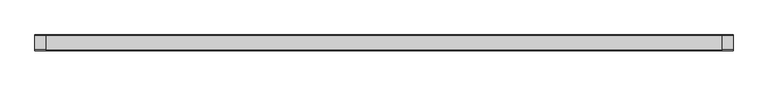
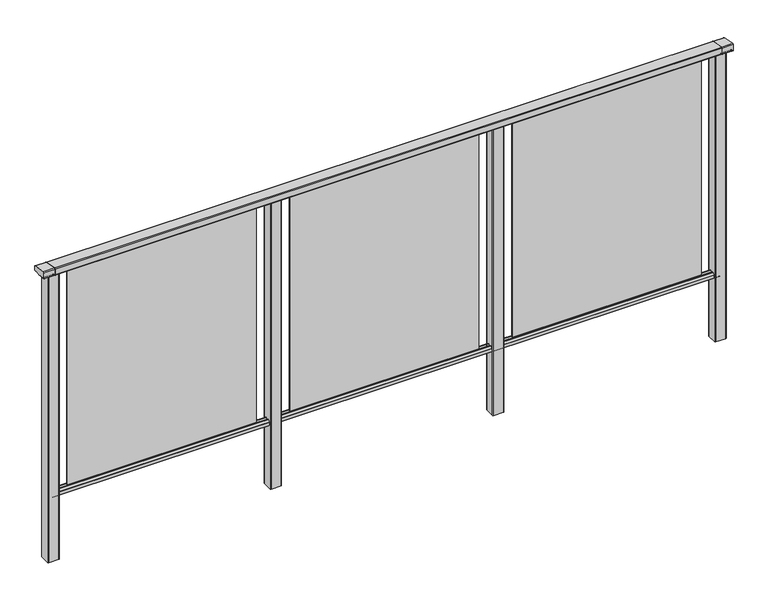
"""IFC4 building model written with IfcOpenShell, lengths in millimetres: railing geometry."""

from ifc_helpers import new_model, si_unit, point, frame, frame_2d, origin, place, context, project, spatial, polyline, circle_curve, trimmed, segment, composite_curve, outline, extrude, source, transform, mapped, element, save
from ifc_brep_helpers import plane_surface, cylinder_surface, advanced_brep


def railing_0c7fa460(model_context):
    return source(origin(), model_context, "Body", "SolidModel", [
        extrude(outline(composite_curve([segment(polyline([(8429.3630551, 1199.9544233), (8493.3630551, 1188.6694965)]), True, "CONTINUOUS"), segment(trimmed(circle_curve(frame_2d((8492.8421106, 1185.7150732)), 3.0), [point((8493.3630551, 1188.6694965))], [point((8495.8421106, 1185.7150732))], False, "CARTESIAN"), True, "CONTINUOUS"), segment(polyline([(8495.8421106, 1185.7150732), (8495.8421106, 1169.2)]), True, "CONTINUOUS"), segment(trimmed(circle_curve(frame_2d((8492.8421106, 1169.2)), 3.0), [point((8495.8421106, 1169.2))], [point((8492.8421106, 1166.2))], False, "CARTESIAN"), True, "CONTINUOUS"), segment(polyline([(8492.8421106, 1166.2), (8469.17694, 1166.2)]), True, "CONTINUOUS"), segment(trimmed(circle_curve(frame_2d((8460.8500931, 1183.2818957)), 19.003356), [point((8469.17694, 1166.2))], [point((8452.5232463, 1166.2))], False, "CARTESIAN"), True, "CONTINUOUS"), segment(polyline([(8452.5232463, 1166.2), (8428.8421106, 1166.2)]), True, "CONTINUOUS"), segment(trimmed(circle_curve(frame_2d((8428.8421106, 1169.2)), 3.0), [point((8428.8421106, 1166.2))], [point((8425.8421106, 1169.2))], False, "CARTESIAN"), True, "CONTINUOUS"), segment(polyline([(8425.8421106, 1169.2), (8425.8421106, 1197.0)]), True, "CONTINUOUS"), segment(trimmed(circle_curve(frame_2d((8428.8421106, 1197.0)), 3.0), [point((8425.8421106, 1197.0))], [point((8429.3630551, 1199.9544233))], False, "CARTESIAN"), True, "CONTINUOUS")], self_intersect=False)), frame((3671.3946925, 0.0, 0.0), z_axis=(1.0, 0.0, 0.0), x_axis=(0.0, 1.0, 0.0)), (0.0, 0.0, 1.0), 3000.0),
        extrude(outline(composite_curve([segment(polyline([(8476.5508136, 100.0), (8445.1507946, 100.0)]), True, "CONTINUOUS"), segment(trimmed(circle_curve(frame_2d((8445.1507946, 101.8)), 1.8), [point((8445.1507946, 100.0))], [point((8443.3507946, 101.8))], False, "CARTESIAN"), True, "CONTINUOUS"), segment(polyline([(8443.3507946, 101.8), (8443.3507946, 115.5269955)]), True, "CONTINUOUS"), segment(trimmed(circle_curve(frame_2d((8445.1507946, 115.5269955)), 1.8), [point((8443.3507946, 115.5269955))], [point((8443.7923399, 116.7079277))], False, "CARTESIAN"), True, "CONTINUOUS"), segment(polyline([(8443.7923399, 116.7079277), (8450.4626384, 124.3809322)]), True, "CONTINUOUS"), segment(trimmed(circle_curve(frame_2d((8451.8210931, 123.2)), 1.8), [point((8450.4626384, 124.3809322))], [point((8451.8210931, 125.0))], False, "CARTESIAN"), True, "CONTINUOUS"), segment(polyline([(8451.8210931, 125.0), (8455.5111113, 125.0), (8456.809143, 113.0), (8464.8924411, 113.0), (8466.1904978, 125.0), (8469.88054, 125.0)]), True, "CONTINUOUS"), segment(trimmed(circle_curve(frame_2d((8469.88054, 123.2)), 1.8), [point((8469.88054, 125.0))], [point((8471.2389969, 124.3809297))], False, "CARTESIAN"), True, "CONTINUOUS"), segment(polyline([(8471.2389969, 124.3809297), (8477.9092704, 116.7079252)]), True, "CONTINUOUS"), segment(trimmed(circle_curve(frame_2d((8476.5508136, 115.5269955)), 1.8), [point((8477.9092704, 116.7079252))], [point((8478.3508136, 115.5269955))], False, "CARTESIAN"), True, "CONTINUOUS"), segment(polyline([(8478.3508136, 115.5269955), (8478.3508136, 101.8)]), True, "CONTINUOUS"), segment(trimmed(circle_curve(frame_2d((8476.5508136, 101.8)), 1.8), [point((8478.3508136, 101.8))], [point((8476.5508136, 100.0))], False, "CARTESIAN"), True, "CONTINUOUS")], self_intersect=False)), frame((3671.3946925, 0.0, 0.0), z_axis=(1.0, 0.0, 0.0), x_axis=(0.0, 1.0, 0.0)), (0.0, 0.0, 1.0), 3000.0),
        extrude(outline(polyline([(5746.3946925, 8462.8508041), (6596.3946925, 8462.8508041), (6596.3946925, 8458.8508041), (5746.3946925, 8458.8508041), (5746.3946925, 8462.8508041)])), frame((0.0, 0.0, 125.0), z_axis=(0.0, 0.0, 1.0), x_axis=(1.0, 0.0, 0.0)), (0.0, 0.0, 1.0), 1039.2785397),
        extrude(outline(composite_curve([segment(trimmed(circle_curve(frame_2d((5693.7947043, 8483.2508153)), 3.0), [point((5693.794704, 8486.2508153))], [point((5696.7947043, 8483.2508156))], False, "CARTESIAN"), True, "CONTINUOUS"), segment(polyline([(5696.7947043, 8483.2508156), (5696.7947083, 8438.4507926)]), True, "CONTINUOUS"), segment(trimmed(circle_curve(frame_2d((5693.7947083, 8438.4507923)), 3.0), [point((5696.7947083, 8438.4507926))], [point((5693.7947086, 8435.4507923))], False, "CARTESIAN"), True, "CONTINUOUS"), segment(polyline([(5693.7947086, 8435.4507923), (5648.9946856, 8435.4507883)]), True, "CONTINUOUS"), segment(trimmed(circle_curve(frame_2d((5648.9946853, 8438.4507883)), 3.0), [point((5648.9946856, 8435.4507883))], [point((5645.9946853, 8438.450788))], False, "CARTESIAN"), True, "CONTINUOUS"), segment(polyline([(5645.9946853, 8438.450788), (5645.9946813, 8483.250811)]), True, "CONTINUOUS"), segment(trimmed(circle_curve(frame_2d((5648.9946813, 8483.2508113)), 3.0), [point((5645.9946813, 8483.250811))], [point((5648.994681, 8486.2508113))], False, "CARTESIAN"), True, "CONTINUOUS"), segment(polyline([(5648.994681, 8486.2508113), (5693.794704, 8486.2508153)]), True, "CONTINUOUS")], self_intersect=False)), frame((0.0, 0.0, -198.0), z_axis=(0.0, 0.0, 1.0), x_axis=(1.0, 0.0, 0.0)), (0.0, 0.0, 1.0), 1362.2785397),
        extrude(outline(polyline([(4746.3946925, 8462.8508041), (5596.3946925, 8462.8508041), (5596.3946925, 8458.8508041), (4746.3946925, 8458.8508041), (4746.3946925, 8462.8508041)])), frame((0.0, 0.0, 125.0), z_axis=(0.0, 0.0, 1.0), x_axis=(1.0, 0.0, 0.0)), (0.0, 0.0, 1.0), 1039.2785397),
        extrude(outline(composite_curve([segment(trimmed(circle_curve(frame_2d((4693.7947043, 8483.2508153)), 3.0), [point((4693.794704, 8486.2508153))], [point((4696.7947043, 8483.2508156))], False, "CARTESIAN"), True, "CONTINUOUS"), segment(polyline([(4696.7947043, 8483.2508156), (4696.7947083, 8438.4507926)]), True, "CONTINUOUS"), segment(trimmed(circle_curve(frame_2d((4693.7947083, 8438.4507923)), 3.0), [point((4696.7947083, 8438.4507926))], [point((4693.7947086, 8435.4507923))], False, "CARTESIAN"), True, "CONTINUOUS"), segment(polyline([(4693.7947086, 8435.4507923), (4648.9946856, 8435.4507883)]), True, "CONTINUOUS"), segment(trimmed(circle_curve(frame_2d((4648.9946853, 8438.4507883)), 3.0), [point((4648.9946856, 8435.4507883))], [point((4645.9946853, 8438.450788))], False, "CARTESIAN"), True, "CONTINUOUS"), segment(polyline([(4645.9946853, 8438.450788), (4645.9946813, 8483.250811)]), True, "CONTINUOUS"), segment(trimmed(circle_curve(frame_2d((4648.9946813, 8483.2508113)), 3.0), [point((4645.9946813, 8483.250811))], [point((4648.994681, 8486.2508113))], False, "CARTESIAN"), True, "CONTINUOUS"), segment(polyline([(4648.994681, 8486.2508113), (4693.794704, 8486.2508153)]), True, "CONTINUOUS")], self_intersect=False)), frame((0.0, 0.0, -198.0), z_axis=(0.0, 0.0, 1.0), x_axis=(1.0, 0.0, 0.0)), (0.0, 0.0, 1.0), 1362.2785397),
        extrude(outline(polyline([(3746.3946925, 8462.8508041), (4596.3946925, 8462.8508041), (4596.3946925, 8458.8508041), (3746.3946925, 8458.8508041), (3746.3946925, 8462.8508041)])), frame((0.0, 0.0, 125.0), z_axis=(0.0, 0.0, 1.0), x_axis=(1.0, 0.0, 0.0)), (0.0, 0.0, 1.0), 1039.2785397),
        extrude(outline(composite_curve([segment(trimmed(circle_curve(frame_2d((6693.7947043, 8483.2508153)), 3.0), [point((6693.794704, 8486.2508153))], [point((6696.7947043, 8483.2508156))], False, "CARTESIAN"), True, "CONTINUOUS"), segment(polyline([(6696.7947043, 8483.2508156), (6696.7947083, 8438.4507926)]), True, "CONTINUOUS"), segment(trimmed(circle_curve(frame_2d((6693.7947083, 8438.4507923)), 3.0), [point((6696.7947083, 8438.4507926))], [point((6693.7947086, 8435.4507923))], False, "CARTESIAN"), True, "CONTINUOUS"), segment(polyline([(6693.7947086, 8435.4507923), (6648.9946856, 8435.4507883)]), True, "CONTINUOUS"), segment(trimmed(circle_curve(frame_2d((6648.9946853, 8438.4507883)), 3.0), [point((6648.9946856, 8435.4507883))], [point((6645.9946853, 8438.450788))], False, "CARTESIAN"), True, "CONTINUOUS"), segment(polyline([(6645.9946853, 8438.450788), (6645.9946813, 8483.250811)]), True, "CONTINUOUS"), segment(trimmed(circle_curve(frame_2d((6648.9946813, 8483.2508113)), 3.0), [point((6645.9946813, 8483.250811))], [point((6648.994681, 8486.2508113))], False, "CARTESIAN"), True, "CONTINUOUS"), segment(polyline([(6648.994681, 8486.2508113), (6693.794704, 8486.2508153)]), True, "CONTINUOUS")], self_intersect=False)), frame((0.0, 0.0, -198.0), z_axis=(0.0, 0.0, 1.0), x_axis=(1.0, 0.0, 0.0)), (0.0, 0.0, 1.0), 1362.2785397),
        advanced_brep(
        [(6721.3946838, 8429.3630551, 1199.9544233), (6721.3946838, 8425.8421106, 1197.0), (6721.3946838, 8425.8421106, 1169.2), (6721.3946838, 8428.8421106, 1166.2), (6721.3946838, 8433.6920245, 1166.2), (6721.3946838, 8434.5830297, 1166.9730759), (6721.3946838, 8435.1561053, 1166.4000003), (6721.3946838, 8453.2660875, 1166.4000003), (6721.3946838, 8453.8619702, 1165.6106384), (6721.3946838, 8467.8416451, 1165.6114192), (6721.3946838, 8468.4355206, 1166.4000003), (6721.3946838, 8486.5960229, 1166.4000003), (6721.3946838, 8487.0960229, 1166.9000033), (6721.3946838, 8488.0249587, 1166.2), (6721.3946838, 8492.8421106, 1166.2), (6721.3946838, 8495.8421106, 1169.2), (6721.3946838, 8495.8421106, 1185.7150732), (6721.3946838, 8493.3630551, 1188.6694965), (6671.3946838, 8429.3630551, 1199.9544233), (6671.3946838, 8493.3630551, 1188.6694965), (6671.3946838, 8495.8421106, 1185.7150732), (6671.3946838, 8495.8421106, 1169.2), (6671.3946838, 8492.8421106, 1166.2), (6671.3946838, 8488.0249587, 1166.2), (6671.3946838, 8487.0960229, 1166.9000033), (6671.3946838, 8486.5960229, 1166.4000003), (6671.3946838, 8468.4355206, 1166.4000003), (6671.3946838, 8467.8416397, 1165.6114328), (6671.3946838, 8453.8585412, 1165.6114192), (6671.3946838, 8453.2660875, 1166.4000003), (6671.3946838, 8435.1561053, 1166.4000003), (6671.3946838, 8434.5830297, 1166.9730759), (6671.3946838, 8433.6920245, 1166.2), (6671.3946838, 8428.8421106, 1166.2), (6671.3946838, 8425.8421106, 1169.2), (6671.3946838, 8425.8421106, 1197.0)],
        [
            (0, 1, circle_curve(frame((6721.3946838, 8428.8421106, 1197.0), z_axis=(1.0, 0.0, 0.0), x_axis=(0.0, 0.17364817766704857, 0.9848077530121873)), 3.0)),
            (1, 2),
            (2, 3, circle_curve(frame((6721.3946838, 8428.8421106, 1169.2), z_axis=(1.0, 0.0, 0.0), x_axis=(0.0, -1.0, 0.0)), 3.0)),
            (3, 4),
            (4, 5, circle_curve(frame((6721.3946838, 8433.6920245, 1167.1), z_axis=(1.0, 0.0, 0.0), x_axis=(0.0, 0.0, -1.0)), 0.9)),
            (5, 6, circle_curve(frame((6721.3946838, 8435.1561053, 1166.9730759), z_axis=(1.0, 0.0, 0.0), x_axis=(0.0, -1.0, 0.0)), 0.5730756)),
            (6, 7),
            (7, 8, circle_curve(frame((6721.3946838, 8454.2114065, 1166.4940192), z_axis=(1.0, 0.0, 0.0), x_axis=(0.0, -1.0, 0.0)), 0.9499829)),
            (8, 9, circle_curve(frame((6721.3946838, 8460.8500931, 1183.2818957), z_axis=(1.0, 0.0, 0.0), x_axis=(0.0, -1.0, 0.0)), 19.003356)),
            (9, 10, circle_curve(frame((6721.3946838, 8467.4902016, 1166.4940192), z_axis=(1.0, 0.0, 0.0), x_axis=(0.0, 1.0, 0.0)), 0.9499829)),
            (10, 11),
            (11, 12, circle_curve(frame((6721.3946838, 8486.5960229, 1166.9000003), z_axis=(1.0, 0.0, 0.0), x_axis=(0.0, 0.0, -1.0)), 0.5)),
            (12, 13, circle_curve(frame((6721.3946838, 8488.0072204, 1167.1428319), z_axis=(1.0, 0.0, 0.0), x_axis=(0.0, -1.0, 0.0)), 0.9429987)),
            (13, 14),
            (14, 15, circle_curve(frame((6721.3946838, 8492.8421106, 1169.2), z_axis=(1.0, 0.0, 0.0), x_axis=(0.0, 0.0, -1.0)), 3.0)),
            (15, 16),
            (16, 17, circle_curve(frame((6721.3946838, 8492.8421106, 1185.7150732), z_axis=(1.0, 0.0, 0.0), x_axis=(0.0, 1.0, 0.0)), 3.0)),
            (17, 0),
            (18, 19),
            (19, 20, circle_curve(frame((6671.3946838, 8492.8421106, 1185.7150732), z_axis=(-1.0, 0.0, 0.0), x_axis=(0.0, 1.0, 0.0)), 3.0)),
            (20, 21),
            (21, 22, circle_curve(frame((6671.3946838, 8492.8421106, 1169.2), z_axis=(-1.0, 0.0, 0.0), x_axis=(0.0, 0.0, -1.0)), 3.0)),
            (22, 23),
            (23, 24, circle_curve(frame((6671.3946838, 8488.0072204, 1167.1428319), z_axis=(-1.0, 0.0, 0.0), x_axis=(0.0, -1.0, 0.0)), 0.9429987)),
            (24, 25, circle_curve(frame((6671.3946838, 8486.5960229, 1166.9000003), z_axis=(-1.0, 0.0, 0.0), x_axis=(0.0, 0.0, -1.0)), 0.5)),
            (25, 26),
            (26, 27, circle_curve(frame((6671.3946838, 8467.4902016, 1166.4940192), z_axis=(-1.0, 0.0, 0.0), x_axis=(0.0, 1.0, 0.0)), 0.9499829)),
            (27, 28, circle_curve(frame((6671.3946838, 8460.8500931, 1183.2818957), z_axis=(-1.0, 0.0, 0.0), x_axis=(0.0, -1.0, 0.0)), 19.003356)),
            (28, 29, circle_curve(frame((6671.3946838, 8454.2114065, 1166.4940192), z_axis=(-1.0, 0.0, 0.0), x_axis=(0.0, -1.0, 0.0)), 0.9499829)),
            (29, 30),
            (30, 31, circle_curve(frame((6671.3946838, 8435.1561053, 1166.9730759), z_axis=(-1.0, 0.0, 0.0), x_axis=(0.0, -1.0, 0.0)), 0.5730756)),
            (31, 32, circle_curve(frame((6671.3946838, 8433.6920245, 1167.1), z_axis=(-1.0, 0.0, 0.0), x_axis=(0.0, 0.0, -1.0)), 0.9)),
            (32, 33),
            (33, 34, circle_curve(frame((6671.3946838, 8428.8421106, 1169.2), z_axis=(-1.0, 0.0, 0.0), x_axis=(0.0, -1.0, 0.0)), 3.0)),
            (34, 35),
            (35, 18, circle_curve(frame((6671.3946838, 8428.8421106, 1197.0), z_axis=(-1.0, 0.0, 0.0), x_axis=(0.0, 0.17364817766704857, 0.9848077530121873)), 3.0)),
            (0, 18),
            (35, 1),
            (34, 2),
            (33, 3),
            (32, 4),
            (31, 5),
            (30, 6),
            (29, 7),
            (28, 8),
            (27, 9),
            (26, 10),
            (25, 11),
            (24, 12),
            (23, 13),
            (22, 14),
            (21, 15),
            (20, 16),
            (19, 17),
        ],
        [
            plane_surface(frame((6721.3946838, 8460.8508041, 1200.0), z_axis=(1.0, 0.0, 0.0), x_axis=(0.0, 1.0, 0.0))),
            plane_surface(frame((6671.3946838, 8460.8508041, 1200.0), z_axis=(-1.0, 0.0, 0.0), x_axis=(0.0, 1.0, 0.0))),
            cylinder_surface(frame((6721.3946838, 8428.8421106, 1197.0), z_axis=(1.0, 0.0, 0.0), x_axis=(0.0, 0.17364817766704857, 0.9848077530121873)), 3.0),
            plane_surface(frame((6721.3946838, 8425.8421106, 1197.0), z_axis=(0.0, -1.0, 0.0), x_axis=(-1.0, 0.0, 0.0))),
            cylinder_surface(frame((6721.3946838, 8428.8421106, 1169.2), z_axis=(1.0, 0.0, 0.0), x_axis=(0.0, -1.0, 0.0)), 3.0),
            plane_surface(frame((6721.3946838, 8428.8421106, 1166.2), z_axis=(0.0, 0.0, -1.0), x_axis=(-1.0, 0.0, 0.0))),
            cylinder_surface(frame((6721.3946838, 8433.6920245, 1167.1), z_axis=(1.0, 0.0, 0.0), x_axis=(0.0, 0.0, -1.0)), 0.9),
            cylinder_surface(frame((6721.3946838, 8435.1561053, 1166.9730759), z_axis=(1.0, 0.0, 0.0), x_axis=(0.0, -1.0, 0.0)), 0.5730756),
            plane_surface(frame((6721.3946838, 8435.1561053, 1166.4000003), z_axis=(0.0, 0.0, -1.0), x_axis=(-1.0, 0.0, 0.0))),
            cylinder_surface(frame((6721.3946838, 8454.2114065, 1166.4940192), z_axis=(1.0, 0.0, 0.0), x_axis=(0.0, -1.0, 0.0)), 0.9499829),
            cylinder_surface(frame((6721.3946838, 8460.8500931, 1183.2818957), z_axis=(1.0, 0.0, 0.0), x_axis=(0.0, -1.0, 0.0)), 19.003356),
            cylinder_surface(frame((6721.3946838, 8467.4902016, 1166.4940192), z_axis=(1.0, 0.0, 0.0), x_axis=(0.0, 1.0, 0.0)), 0.9499829),
            plane_surface(frame((6721.3946838, 8468.4355206, 1166.4000003), z_axis=(0.0, 0.0, -1.0), x_axis=(-1.0, 0.0, 0.0))),
            cylinder_surface(frame((6721.3946838, 8486.5960229, 1166.9000003), z_axis=(1.0, 0.0, 0.0), x_axis=(0.0, 0.0, -1.0)), 0.5),
            cylinder_surface(frame((6721.3946838, 8488.0072204, 1167.1428319), z_axis=(1.0, 0.0, 0.0), x_axis=(0.0, -1.0, 0.0)), 0.9429987),
            plane_surface(frame((6721.3946838, 8488.0249587, 1166.2), z_axis=(0.0, 0.0, -1.0), x_axis=(-1.0, 0.0, 0.0))),
            cylinder_surface(frame((6721.3946838, 8492.8421106, 1169.2), z_axis=(1.0, 0.0, 0.0), x_axis=(0.0, 0.0, -1.0)), 3.0),
            plane_surface(frame((6721.3946838, 8495.8421106, 1169.2), z_axis=(0.0, 1.0, 0.0), x_axis=(-1.0, 0.0, 0.0))),
            cylinder_surface(frame((6721.3946838, 8492.8421106, 1185.7150732), z_axis=(1.0, 0.0, 0.0), x_axis=(0.0, 1.0, 0.0)), 3.0),
            plane_surface(frame((6721.3946838, 8493.3630551, 1188.6694965), z_axis=(0.0, 0.1736481776669561, 0.9848077530122036), x_axis=(-1.0, 0.0, 0.0))),
        ],
        [
            (0, [[1, 2, 3, 4, 5, 6, 7, 8, 9, 10, 11, 12, 13, 14, 15, 16, 17, 18]]),
            (1, [[19, 20, 21, 22, 23, 24, 25, 26, 27, 28, 29, 30, 31, 32, 33, 34, 35, 36]]),
            (2, [[-1, 37, -36, 38]]),
            (3, [[-2, -38, -35, 39]]),
            (4, [[-3, -39, -34, 40]]),
            (5, [[-4, -40, -33, 41]]),
            (6, [[-5, -41, -32, 42]]),
            (7, [[-6, -42, -31, 43]]),
            (8, [[-7, -43, -30, 44]]),
            (9, [[-8, -44, -29, 45]]),
            (10, [[-9, -45, -28, 46]]),
            (11, [[-10, -46, -27, 47]]),
            (12, [[-11, -47, -26, 48]]),
            (13, [[-12, -48, -25, 49]]),
            (14, [[-13, -49, -24, 50]]),
            (15, [[-14, -50, -23, 51]]),
            (16, [[-15, -51, -22, 52]]),
            (17, [[-16, -52, -21, 53]]),
            (18, [[-17, -53, -20, 54]]),
            (19, [[-18, -54, -19, -37]]),
        ],
    ),
        extrude(outline(composite_curve([segment(trimmed(circle_curve(frame_2d((3693.7947043, 8483.2508153)), 3.0), [point((3693.794704, 8486.2508153))], [point((3696.7947043, 8483.2508156))], False, "CARTESIAN"), True, "CONTINUOUS"), segment(polyline([(3696.7947043, 8483.2508156), (3696.7947083, 8438.4507926)]), True, "CONTINUOUS"), segment(trimmed(circle_curve(frame_2d((3693.7947083, 8438.4507923)), 3.0), [point((3696.7947083, 8438.4507926))], [point((3693.7947086, 8435.4507923))], False, "CARTESIAN"), True, "CONTINUOUS"), segment(polyline([(3693.7947086, 8435.4507923), (3648.9946856, 8435.4507883)]), True, "CONTINUOUS"), segment(trimmed(circle_curve(frame_2d((3648.9946853, 8438.4507883)), 3.0), [point((3648.9946856, 8435.4507883))], [point((3645.9946853, 8438.450788))], False, "CARTESIAN"), True, "CONTINUOUS"), segment(polyline([(3645.9946853, 8438.450788), (3645.9946813, 8483.250811)]), True, "CONTINUOUS"), segment(trimmed(circle_curve(frame_2d((3648.9946813, 8483.2508113)), 3.0), [point((3645.9946813, 8483.250811))], [point((3648.994681, 8486.2508113))], False, "CARTESIAN"), True, "CONTINUOUS"), segment(polyline([(3648.994681, 8486.2508113), (3693.794704, 8486.2508153)]), True, "CONTINUOUS")], self_intersect=False)), frame((0.0, 0.0, -198.0), z_axis=(0.0, 0.0, 1.0), x_axis=(1.0, 0.0, 0.0)), (0.0, 0.0, 1.0), 1362.2785397),
        advanced_brep(
        [(3671.3946838, 8429.3630551, 1199.9544233), (3671.3946838, 8425.8421106, 1197.0), (3671.3946838, 8425.8421106, 1169.2), (3671.3946838, 8428.8421106, 1166.2), (3671.3946838, 8433.6920245, 1166.2), (3671.3946838, 8434.5830297, 1166.9730759), (3671.3946838, 8435.1561053, 1166.4000003), (3671.3946838, 8453.2660875, 1166.4000003), (3671.3946838, 8453.8619702, 1165.6106384), (3671.3946838, 8467.8416451, 1165.6114192), (3671.3946838, 8468.4355206, 1166.4000003), (3671.3946838, 8486.5960229, 1166.4000003), (3671.3946838, 8487.0960229, 1166.9000033), (3671.3946838, 8488.0249587, 1166.2), (3671.3946838, 8492.8421106, 1166.2), (3671.3946838, 8495.8421106, 1169.2), (3671.3946838, 8495.8421106, 1185.7150732), (3671.3946838, 8493.3630551, 1188.6694965), (3621.3946838, 8429.3630551, 1199.9544233), (3621.3946838, 8493.3630551, 1188.6694965), (3621.3946838, 8495.8421106, 1185.7150732), (3621.3946838, 8495.8421106, 1169.2), (3621.3946838, 8492.8421106, 1166.2), (3621.3946838, 8488.0249587, 1166.2), (3621.3946838, 8487.0960229, 1166.9000033), (3621.3946838, 8486.5960229, 1166.4000003), (3621.3946838, 8468.4355206, 1166.4000003), (3621.3946838, 8467.8416397, 1165.6114328), (3621.3946838, 8453.8585412, 1165.6114192), (3621.3946838, 8453.2660875, 1166.4000003), (3621.3946838, 8435.1561053, 1166.4000003), (3621.3946838, 8434.5830297, 1166.9730759), (3621.3946838, 8433.6920245, 1166.2), (3621.3946838, 8428.8421106, 1166.2), (3621.3946838, 8425.8421106, 1169.2), (3621.3946838, 8425.8421106, 1197.0)],
        [
            (0, 1, circle_curve(frame((3671.3946838, 8428.8421106, 1197.0), z_axis=(1.0, 0.0, 0.0), x_axis=(0.0, 0.17364817766704857, 0.9848077530121873)), 3.0)),
            (1, 2),
            (2, 3, circle_curve(frame((3671.3946838, 8428.8421106, 1169.2), z_axis=(1.0, 0.0, 0.0), x_axis=(0.0, -1.0, 0.0)), 3.0)),
            (3, 4),
            (4, 5, circle_curve(frame((3671.3946838, 8433.6920245, 1167.1), z_axis=(1.0, 0.0, 0.0), x_axis=(0.0, 0.0, -1.0)), 0.9)),
            (5, 6, circle_curve(frame((3671.3946838, 8435.1561053, 1166.9730759), z_axis=(1.0, 0.0, 0.0), x_axis=(0.0, -1.0, 0.0)), 0.5730756)),
            (6, 7),
            (7, 8, circle_curve(frame((3671.3946838, 8454.2114065, 1166.4940192), z_axis=(1.0, 0.0, 0.0), x_axis=(0.0, -1.0, 0.0)), 0.9499829)),
            (8, 9, circle_curve(frame((3671.3946838, 8460.8500931, 1183.2818957), z_axis=(1.0, 0.0, 0.0), x_axis=(0.0, -1.0, 0.0)), 19.003356)),
            (9, 10, circle_curve(frame((3671.3946838, 8467.4902016, 1166.4940192), z_axis=(1.0, 0.0, 0.0), x_axis=(0.0, 1.0, 0.0)), 0.9499829)),
            (10, 11),
            (11, 12, circle_curve(frame((3671.3946838, 8486.5960229, 1166.9000003), z_axis=(1.0, 0.0, 0.0), x_axis=(0.0, 0.0, -1.0)), 0.5)),
            (12, 13, circle_curve(frame((3671.3946838, 8488.0072204, 1167.1428319), z_axis=(1.0, 0.0, 0.0), x_axis=(0.0, -1.0, 0.0)), 0.9429987)),
            (13, 14),
            (14, 15, circle_curve(frame((3671.3946838, 8492.8421106, 1169.2), z_axis=(1.0, 0.0, 0.0), x_axis=(0.0, 0.0, -1.0)), 3.0)),
            (15, 16),
            (16, 17, circle_curve(frame((3671.3946838, 8492.8421106, 1185.7150732), z_axis=(1.0, 0.0, 0.0), x_axis=(0.0, 1.0, 0.0)), 3.0)),
            (17, 0),
            (18, 19),
            (19, 20, circle_curve(frame((3621.3946838, 8492.8421106, 1185.7150732), z_axis=(-1.0, 0.0, 0.0), x_axis=(0.0, 1.0, 0.0)), 3.0)),
            (20, 21),
            (21, 22, circle_curve(frame((3621.3946838, 8492.8421106, 1169.2), z_axis=(-1.0, 0.0, 0.0), x_axis=(0.0, 0.0, -1.0)), 3.0)),
            (22, 23),
            (23, 24, circle_curve(frame((3621.3946838, 8488.0072204, 1167.1428319), z_axis=(-1.0, 0.0, 0.0), x_axis=(0.0, -1.0, 0.0)), 0.9429987)),
            (24, 25, circle_curve(frame((3621.3946838, 8486.5960229, 1166.9000003), z_axis=(-1.0, 0.0, 0.0), x_axis=(0.0, 0.0, -1.0)), 0.5)),
            (25, 26),
            (26, 27, circle_curve(frame((3621.3946838, 8467.4902016, 1166.4940192), z_axis=(-1.0, 0.0, 0.0), x_axis=(0.0, 1.0, 0.0)), 0.9499829)),
            (27, 28, circle_curve(frame((3621.3946838, 8460.8500931, 1183.2818957), z_axis=(-1.0, 0.0, 0.0), x_axis=(0.0, -1.0, 0.0)), 19.003356)),
            (28, 29, circle_curve(frame((3621.3946838, 8454.2114065, 1166.4940192), z_axis=(-1.0, 0.0, 0.0), x_axis=(0.0, -1.0, 0.0)), 0.9499829)),
            (29, 30),
            (30, 31, circle_curve(frame((3621.3946838, 8435.1561053, 1166.9730759), z_axis=(-1.0, 0.0, 0.0), x_axis=(0.0, -1.0, 0.0)), 0.5730756)),
            (31, 32, circle_curve(frame((3621.3946838, 8433.6920245, 1167.1), z_axis=(-1.0, 0.0, 0.0), x_axis=(0.0, 0.0, -1.0)), 0.9)),
            (32, 33),
            (33, 34, circle_curve(frame((3621.3946838, 8428.8421106, 1169.2), z_axis=(-1.0, 0.0, 0.0), x_axis=(0.0, -1.0, 0.0)), 3.0)),
            (34, 35),
            (35, 18, circle_curve(frame((3621.3946838, 8428.8421106, 1197.0), z_axis=(-1.0, 0.0, 0.0), x_axis=(0.0, 0.17364817766704857, 0.9848077530121873)), 3.0)),
            (0, 18),
            (35, 1),
            (34, 2),
            (33, 3),
            (32, 4),
            (31, 5),
            (30, 6),
            (29, 7),
            (28, 8),
            (27, 9),
            (26, 10),
            (25, 11),
            (24, 12),
            (23, 13),
            (22, 14),
            (21, 15),
            (20, 16),
            (19, 17),
        ],
        [
            plane_surface(frame((3671.3946838, 8460.8508041, 1200.0), z_axis=(1.0, 0.0, 0.0), x_axis=(0.0, 1.0, 0.0))),
            plane_surface(frame((3621.3946838, 8460.8508041, 1200.0), z_axis=(-1.0, 0.0, 0.0), x_axis=(0.0, 1.0, 0.0))),
            cylinder_surface(frame((3671.3946838, 8428.8421106, 1197.0), z_axis=(1.0, 0.0, 0.0), x_axis=(0.0, 0.17364817766704857, 0.9848077530121873)), 3.0),
            plane_surface(frame((3671.3946838, 8425.8421106, 1197.0), z_axis=(0.0, -1.0, 0.0), x_axis=(-1.0, 0.0, 0.0))),
            cylinder_surface(frame((3671.3946838, 8428.8421106, 1169.2), z_axis=(1.0, 0.0, 0.0), x_axis=(0.0, -1.0, 0.0)), 3.0),
            plane_surface(frame((3671.3946838, 8428.8421106, 1166.2), z_axis=(0.0, 0.0, -1.0), x_axis=(-1.0, 0.0, 0.0))),
            cylinder_surface(frame((3671.3946838, 8433.6920245, 1167.1), z_axis=(1.0, 0.0, 0.0), x_axis=(0.0, 0.0, -1.0)), 0.9),
            cylinder_surface(frame((3671.3946838, 8435.1561053, 1166.9730759), z_axis=(1.0, 0.0, 0.0), x_axis=(0.0, -1.0, 0.0)), 0.5730756),
            plane_surface(frame((3671.3946838, 8435.1561053, 1166.4000003), z_axis=(0.0, 0.0, -1.0), x_axis=(-1.0, 0.0, 0.0))),
            cylinder_surface(frame((3671.3946838, 8454.2114065, 1166.4940192), z_axis=(1.0, 0.0, 0.0), x_axis=(0.0, -1.0, 0.0)), 0.9499829),
            cylinder_surface(frame((3671.3946838, 8460.8500931, 1183.2818957), z_axis=(1.0, 0.0, 0.0), x_axis=(0.0, -1.0, 0.0)), 19.003356),
            cylinder_surface(frame((3671.3946838, 8467.4902016, 1166.4940192), z_axis=(1.0, 0.0, 0.0), x_axis=(0.0, 1.0, 0.0)), 0.9499829),
            plane_surface(frame((3671.3946838, 8468.4355206, 1166.4000003), z_axis=(0.0, 0.0, -1.0), x_axis=(-1.0, 0.0, 0.0))),
            cylinder_surface(frame((3671.3946838, 8486.5960229, 1166.9000003), z_axis=(1.0, 0.0, 0.0), x_axis=(0.0, 0.0, -1.0)), 0.5),
            cylinder_surface(frame((3671.3946838, 8488.0072204, 1167.1428319), z_axis=(1.0, 0.0, 0.0), x_axis=(0.0, -1.0, 0.0)), 0.9429987),
            plane_surface(frame((3671.3946838, 8488.0249587, 1166.2), z_axis=(0.0, 0.0, -1.0), x_axis=(-1.0, 0.0, 0.0))),
            cylinder_surface(frame((3671.3946838, 8492.8421106, 1169.2), z_axis=(1.0, 0.0, 0.0), x_axis=(0.0, 0.0, -1.0)), 3.0),
            plane_surface(frame((3671.3946838, 8495.8421106, 1169.2), z_axis=(0.0, 1.0, 0.0), x_axis=(-1.0, 0.0, 0.0))),
            cylinder_surface(frame((3671.3946838, 8492.8421106, 1185.7150732), z_axis=(1.0, 0.0, 0.0), x_axis=(0.0, 1.0, 0.0)), 3.0),
            plane_surface(frame((3671.3946838, 8493.3630551, 1188.6694965), z_axis=(0.0, 0.1736481776669561, 0.9848077530122036), x_axis=(-1.0, 0.0, 0.0))),
        ],
        [
            (0, [[1, 2, 3, 4, 5, 6, 7, 8, 9, 10, 11, 12, 13, 14, 15, 16, 17, 18]]),
            (1, [[19, 20, 21, 22, 23, 24, 25, 26, 27, 28, 29, 30, 31, 32, 33, 34, 35, 36]]),
            (2, [[-1, 37, -36, 38]]),
            (3, [[-2, -38, -35, 39]]),
            (4, [[-3, -39, -34, 40]]),
            (5, [[-4, -40, -33, 41]]),
            (6, [[-5, -41, -32, 42]]),
            (7, [[-6, -42, -31, 43]]),
            (8, [[-7, -43, -30, 44]]),
            (9, [[-8, -44, -29, 45]]),
            (10, [[-9, -45, -28, 46]]),
            (11, [[-10, -46, -27, 47]]),
            (12, [[-11, -47, -26, 48]]),
            (13, [[-12, -48, -25, 49]]),
            (14, [[-13, -49, -24, 50]]),
            (15, [[-14, -50, -23, 51]]),
            (16, [[-15, -51, -22, 52]]),
            (17, [[-16, -52, -21, 53]]),
            (18, [[-17, -53, -20, 54]]),
            (19, [[-18, -54, -19, -37]]),
        ],
    ),
    ])


if __name__ == "__main__":
    model = new_model("IFC4")
    model_context = context("Model", 3, world=origin())
    ifc_project = project(units=[si_unit("LENGTHUNIT", "METRE", prefix="MILLI")], contexts=[model_context])
    site = spatial("IfcSite", under=ifc_project)
    building = spatial("IfcBuilding", under=site)
    placement = place(None, origin())
    railing_shape = railing_0c7fa460(model_context)
    element("IfcRailing", 1, at=placement, inside=building, context=model_context, shape_type="MappedRepresentation", body=[
        mapped(railing_shape, transform((0.0, 0.0, 0.0), x_axis=(1.0, 0.0, 0.0), y_axis=(0.0, 1.0, 0.0), z_axis=(0.0, 0.0, 1.0))),
    ])
    save(model, "model.ifc")
